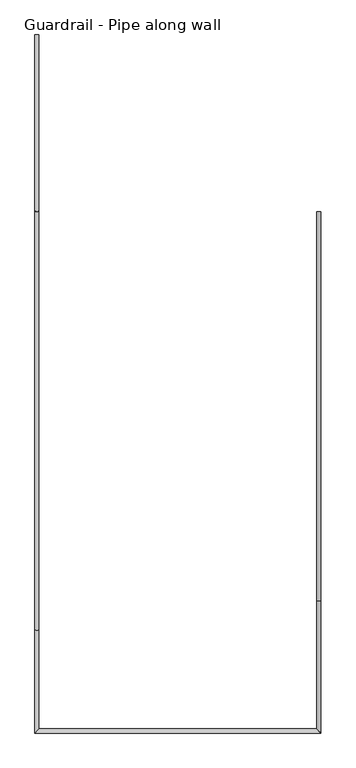
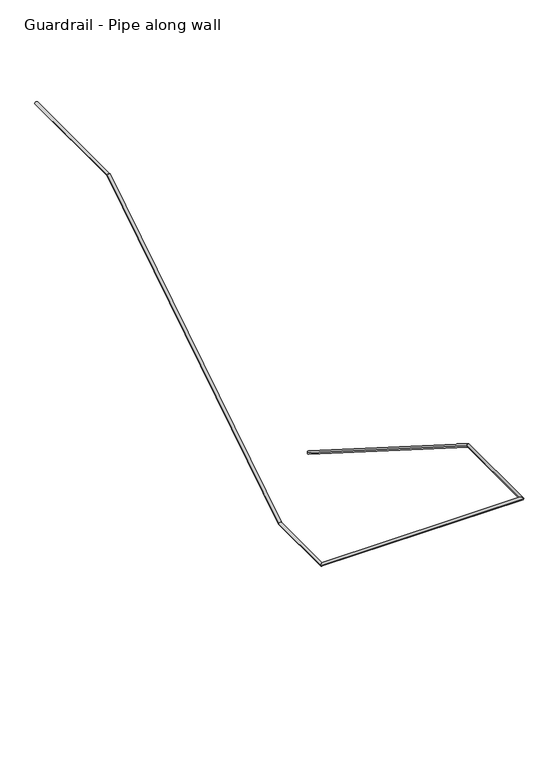
"""IFC4 building model written with IfcOpenShell, lengths in millimetres: railing geometry, Guardrail - Pipe along wall."""

from ifc_helpers import new_model, si_unit, frame, origin, place, context, project, spatial, circle_curve, ellipse_curve, source, transform, mapped, element, save
from ifc_brep_helpers import plane_surface, cylinder_surface, advanced_brep


def guardrail_pipe_along_wall_6f959516(model_context):
    return source(origin(), model_context, "Body", "AdvancedBrep", [
        advanced_brep(
        [(584226.7754676, -251283.0080223, 916.3134838), (584264.8754676, -251283.0080223, 916.3134838), (584264.8754676, -254920.7306039, 3218.9796296), (584226.7754676, -254920.7306039, 3218.9796296), (584264.8754676, -256153.4580223, 3218.9796296), (584226.7754676, -256115.3580223, 3218.9796296), (581593.855137, -256153.4580223, 3218.9796296), (581631.955137, -256115.3580223, 3218.9796296), (581593.855137, -255189.0854408, 3218.9796296), (581631.955137, -255189.0854408, 3218.9796296), (581593.855137, -251277.4854408, 5695.0092593), (581631.955137, -251277.4854408, 5695.0092593), (581631.955137, -249632.0080223, 5695.0092593), (581593.855137, -249632.0080223, 5695.0092593)],
        [
            (0, 1, ellipse_curve(frame((584245.8254676, -251283.0080223, 916.3134838), z_axis=(0.0, 1.0, 0.0), x_axis=(0.0, 0.0, -1.0)), 22.5457755, 19.05)),
            (1, 0, ellipse_curve(frame((584245.8254676, -251283.0080223, 916.3134838), z_axis=(0.0, 1.0, 0.0), x_axis=(0.0, 0.0, -1.0)), 22.5457755, 19.05)),
            (1, 2),
            (2, 3, ellipse_curve(frame((584245.8254676, -254920.7306039, 3218.9796296), z_axis=(0.0, 0.9604550090529085, -0.2784352269113543), x_axis=(0.0, -0.278435226911354, -0.9604550090529086)), 19.8343492, 19.05)),
            (3, 0),
            (3, 2, ellipse_curve(frame((584245.8254676, -254920.7306039, 3218.9796296), z_axis=(0.0, 0.9604550090529085, -0.2784352269113543), x_axis=(0.0, -0.278435226911354, -0.9604550090529086)), 19.8343492, 19.05)),
            (2, 4),
            (4, 5, ellipse_curve(frame((584245.8254676, -256134.4080223, 3218.9796296), z_axis=(0.7071067811865475, 0.7071067811865475, 0.0), x_axis=(-0.7071067811865474, 0.7071067811865476, 0.0)), 26.9407684, 19.05)),
            (5, 3),
            (5, 4, ellipse_curve(frame((584245.8254676, -256134.4080223, 3218.9796296), z_axis=(0.7071067811865475, 0.7071067811865475, 0.0), x_axis=(-0.7071067811865474, 0.7071067811865476, 0.0)), 26.9407684, 19.05)),
            (4, 6),
            (6, 7, ellipse_curve(frame((581612.905137, -256134.4080223, 3218.9796296), z_axis=(0.7071067811865475, -0.7071067811865475, 0.0), x_axis=(0.7071067811865476, 0.7071067811865474, 0.0)), 26.9407684, 19.05)),
            (7, 5),
            (7, 6, ellipse_curve(frame((581612.905137, -256134.4080223, 3218.9796296), z_axis=(0.7071067811865475, -0.7071067811865475, 0.0), x_axis=(0.7071067811865476, 0.7071067811865474, 0.0)), 26.9407684, 19.05)),
            (6, 8),
            (8, 9, ellipse_curve(frame((581612.905137, -255189.0854408, 3218.9796296), z_axis=(0.0, -0.9604550090529084, -0.2784352269113549), x_axis=(0.0, -0.27843522691135497, 0.9604550090529085)), 19.8343492, 19.05)),
            (9, 7),
            (9, 8, ellipse_curve(frame((581612.905137, -255189.0854408, 3218.9796296), z_axis=(0.0, -0.9604550090529084, -0.2784352269113549), x_axis=(0.0, -0.27843522691135497, 0.9604550090529085)), 19.8343492, 19.05)),
            (8, 10),
            (10, 11, ellipse_curve(frame((581612.905137, -251277.4854408, 5695.0092593), z_axis=(0.0, -0.9604550090529084, -0.2784352269113549), x_axis=(0.0, 0.27843522691135497, -0.9604550090529085)), 19.8343492, 19.05)),
            (11, 9),
            (11, 10, ellipse_curve(frame((581612.905137, -251277.4854408, 5695.0092593), z_axis=(0.0, -0.9604550090529084, -0.2784352269113549), x_axis=(0.0, 0.27843522691135497, -0.9604550090529085)), 19.8343492, 19.05)),
            (12, 13, circle_curve(frame((581612.905137, -249632.0080223, 5695.0092593), z_axis=(0.0, 1.0, 0.0), x_axis=(-1.0, 0.0, 0.0)), 19.05)),
            (13, 12, circle_curve(frame((581612.905137, -249632.0080223, 5695.0092593), z_axis=(0.0, 1.0, 0.0), x_axis=(-1.0, 0.0, 0.0)), 19.05)),
            (10, 13),
            (12, 11),
        ],
        [
            plane_surface(frame((584245.8254676, -251283.0080223, 938.8592593), z_axis=(0.0, 1.0, 0.0), x_axis=(0.0, 0.0, -1.0))),
            cylinder_surface(frame((584245.8254676, -251293.1968961, 922.7630065), z_axis=(0.0, 0.8449476488296452, -0.5348490167675869), x_axis=(1.0, 0.0, 0.0)), 19.05),
            cylinder_surface(frame((584245.8254676, -254915.2080223, 3218.9796296), z_axis=(0.0, 1.0, 0.0), x_axis=(1.0, 0.0, 0.0)), 19.05),
            cylinder_surface(frame((584245.8254676, -256134.4080223, 3218.9796296), z_axis=(1.0, 0.0, 0.0), x_axis=(0.0, -1.0, 0.0)), 19.05),
            cylinder_surface(frame((581612.905137, -256134.4080223, 3218.9796296), z_axis=(0.0, -1.0, 0.0), x_axis=(-1.0, 0.0, 0.0)), 19.05),
            cylinder_surface(frame((581612.905137, -255184.4191486, 3221.9333769), z_axis=(0.0, -0.8449476488296446, -0.534849016767588), x_axis=(-1.0, 0.0, 0.0)), 19.05),
            plane_surface(frame((581612.905137, -249632.0080223, 5714.0592593), z_axis=(0.0, 1.0, 0.0), x_axis=(0.0, 0.0, 1.0))),
            cylinder_surface(frame((581612.905137, -251283.0080223, 5695.0092593), z_axis=(0.0, -1.0, 0.0), x_axis=(-1.0, 0.0, 0.0)), 19.05),
        ],
        [
            (0, [[1, 2]]),
            (1, [[-2, 3, 4, 5]]),
            (1, [[-1, -5, 6, -3]]),
            (2, [[-4, 7, 8, 9]]),
            (2, [[-6, -9, 10, -7]]),
            (3, [[-8, 11, 12, 13]]),
            (3, [[-10, -13, 14, -11]]),
            (4, [[-12, 15, 16, 17]]),
            (4, [[-14, -17, 18, -15]]),
            (5, [[-16, 19, 20, 21]]),
            (5, [[-18, -21, 22, -19]]),
            (6, [[23, 24]]),
            (7, [[-20, 25, -23, 26]]),
            (7, [[-22, -26, -24, -25]]),
        ],
    ),
    ])


if __name__ == "__main__":
    model = new_model("IFC4")
    model_context = context("Model", 3, world=origin())
    ifc_project = project(units=[si_unit("LENGTHUNIT", "METRE", prefix="MILLI")], contexts=[model_context])
    site = spatial("IfcSite", under=ifc_project)
    building = spatial("IfcBuilding", under=site)
    placement = place(None, origin())
    guardrail_pipe_along_wall_shape = guardrail_pipe_along_wall_6f959516(model_context)
    element("IfcRailing", 1, ObjectType="Guardrail - Pipe along wall", at=placement, inside=building, context=model_context, shape_type="MappedRepresentation", body=[
        mapped(guardrail_pipe_along_wall_shape, transform((0.0, 0.0, 0.0), x_axis=(1.0, 0.0, 0.0), y_axis=(0.0, 1.0, 0.0), z_axis=(0.0, 0.0, 1.0))),
    ])
    save(model, "model.ifc")
